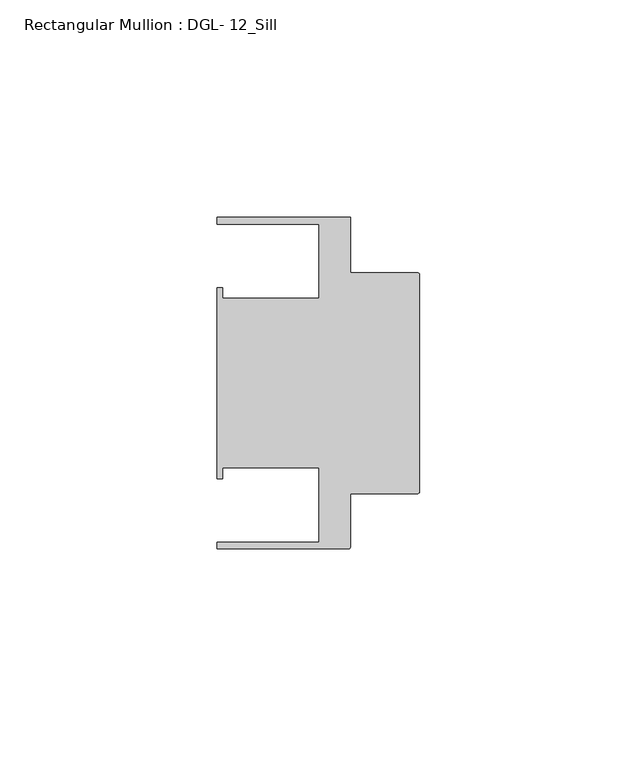
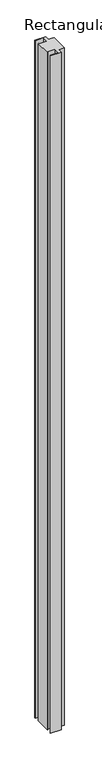
"""IFC4 building model written with IfcOpenShell, lengths in millimetres: member geometry, Rectangular Mullion : DGL- 12_Sill."""

from ifc_helpers import new_model, si_unit, point, frame, frame_2d, origin, place, context, project, spatial, polyline, circle_curve, trimmed, segment, composite_curve, outline, extrude, source, transform, mapped, element, save


def rectangular_mullion_dgl_12_sill_24578f84(model_context):
    return source(origin(), model_context, "Body", "SweptSolid", [
        extrude(outline(composite_curve([segment(trimmed(circle_curve(frame_2d((-0.5953125, 24.8046875)), 0.5953125), [point((-0.5953125, 25.4))], [point((0.0, 24.8046875))], False, "CARTESIAN"), True, "CONTINUOUS"), segment(polyline([(0.0, 24.8046875), (0.0, -24.8046875)]), True, "CONTINUOUS"), segment(trimmed(circle_curve(frame_2d((-0.5953125, -24.8046875)), 0.5953125), [point((0.0, -24.8046875))], [point((-0.5953125, -25.4))], False, "CARTESIAN"), True, "CONTINUOUS"), segment(polyline([(-0.5953125, -25.4), (-15.8750672, -25.4), (-15.8750672, -37.5047035)]), True, "CONTINUOUS"), segment(trimmed(circle_curve(frame_2d((-16.4703797, -37.5047035)), 0.5953125), [point((-15.8750672, -37.5047035))], [point((-16.4703797, -38.100016))], False, "CARTESIAN"), True, "CONTINUOUS"), segment(polyline([(-16.4703797, -38.100016), (-46.54296, -38.100016), (-46.54296, -36.512516), (-23.1202791, -36.512516), (-23.1202791, -19.4824275), (-45.2865266, -19.4824275), (-45.2865266, -21.9710976), (-46.54296, -21.9710976), (-46.54296, 21.9710976), (-45.2865266, 21.9710976), (-45.2865266, 19.4824275), (-23.1202791, 19.4824275), (-23.1202791, 36.512516), (-46.54296, 36.512516), (-46.54296, 38.0996792), (-15.8750672, 38.0996792), (-15.8750672, 25.4), (-0.5953125, 25.4)]), True, "CONTINUOUS")], self_intersect=False)), frame((0.0, 0.0, -2032.0), z_axis=(0.0, 0.0, 1.0), x_axis=(1.0, 0.0, 0.0)), (0.0, 0.0, 1.0), 2032.0),
    ])


if __name__ == "__main__":
    model = new_model("IFC4")
    model_context = context("Model", 3, world=origin())
    ifc_project = project(units=[si_unit("LENGTHUNIT", "METRE", prefix="MILLI")], contexts=[model_context])
    site = spatial("IfcSite", under=ifc_project)
    building = spatial("IfcBuilding", under=site)
    placement = place(None, origin())
    rectangular_mullion_dgl_12_sill_shape = rectangular_mullion_dgl_12_sill_24578f84(model_context)
    element("IfcMember", 1, ObjectType="Rectangular Mullion : DGL- 12_Sill", at=placement, inside=building, context=model_context, shape_type="MappedRepresentation", body=[
        mapped(rectangular_mullion_dgl_12_sill_shape, transform((0.0, 0.0, 0.0), x_axis=(1.0, 0.0, 0.0), y_axis=(0.0, 1.0, 0.0), z_axis=(0.0, 0.0, 1.0))),
    ])
    save(model, "model.ifc")
